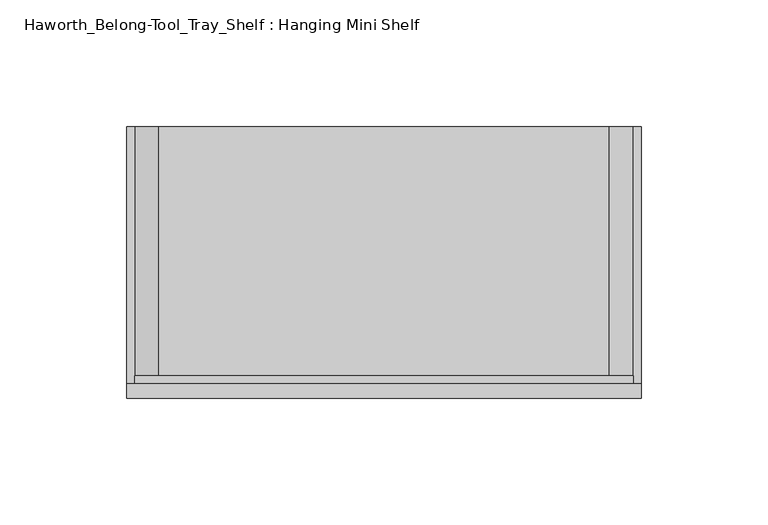
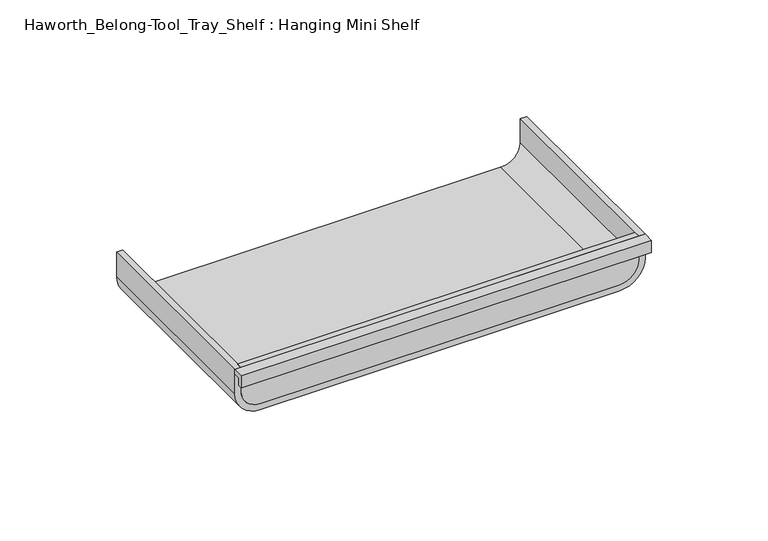
"""IFC4 building model written with IfcOpenShell, lengths in millimetres: furniture geometry, Haworth_Belong-Tool_Tray_Shelf : Hanging Mini Shelf."""

from ifc_helpers import new_model, si_unit, point, frame, frame_2d, origin, place, context, project, spatial, polyline, circle_curve, trimmed, segment, composite_curve, outline, extrude, source, transform, mapped, element, save


def haworth_belong_tool_tray_shelf_hanging_mini_shelf_a4f2ccf3(model_context):
    return source(origin(), model_context, "Body", "SweptSolid", [
        extrude(outline(polyline([(-3.175, 23.01875), (-3.175, 19.05), (-5.55625, 19.05), (-5.55625, 25.4), (0.0, 25.4), (0.0, 23.01875), (-3.175, 23.01875)])), frame((63.5, 0.0, 0.0), z_axis=(1.0, 0.0, 0.0), x_axis=(0.0, 1.0, 0.0)), (0.0, 0.0, 1.0), 203.2),
        extrude(outline(composite_curve([segment(polyline([(25.4, 263.525), (25.4, 66.675), (12.7, 66.675)]), True, "CONTINUOUS"), segment(trimmed(circle_curve(frame_2d((12.7, 76.2)), 9.525), [point((12.7, 66.675))], [point((3.175, 76.2))], False, "CARTESIAN"), True, "CONTINUOUS"), segment(polyline([(3.175, 76.2), (3.175, 254.0)]), True, "CONTINUOUS"), segment(trimmed(circle_curve(frame_2d((12.7, 254.0)), 9.525), [point((3.175, 254.0))], [point((12.7, 263.525))], False, "CARTESIAN"), True, "CONTINUOUS"), segment(polyline([(12.7, 263.525), (25.4, 263.525)]), True, "CONTINUOUS")], self_intersect=False)), frame((0.0, 0.0, 0.0), z_axis=(0.0, 1.0, 0.0), x_axis=(0.0, 0.0, 1.0)), (0.0, 0.0, 1.0), 3.175),
        extrude(outline(composite_curve([segment(polyline([(25.4, 63.5), (12.7, 63.5)]), True, "CONTINUOUS"), segment(trimmed(circle_curve(frame_2d((12.7, 76.2)), 12.7), [point((12.7, 63.5))], [point((0.0, 76.2))], False, "CARTESIAN"), True, "CONTINUOUS"), segment(polyline([(0.0, 76.2), (0.0, 254.0)]), True, "CONTINUOUS"), segment(trimmed(circle_curve(frame_2d((12.7, 254.0)), 12.7), [point((0.0, 254.0))], [point((12.7, 266.7))], False, "CARTESIAN"), True, "CONTINUOUS"), segment(polyline([(12.7, 266.7), (25.4, 266.7), (25.4, 263.525), (12.7, 263.525)]), True, "CONTINUOUS"), segment(trimmed(circle_curve(frame_2d((12.7, 254.0)), 9.525), [point((12.7, 263.525))], [point((3.175, 254.0))], True, "CARTESIAN"), True, "CONTINUOUS"), segment(polyline([(3.175, 254.0), (3.175, 76.2)]), True, "CONTINUOUS"), segment(trimmed(circle_curve(frame_2d((12.7, 76.2)), 9.525), [point((3.175, 76.2))], [point((12.7, 66.675))], True, "CARTESIAN"), True, "CONTINUOUS"), segment(polyline([(12.7, 66.675), (25.4, 66.675), (25.4, 63.5)]), True, "CONTINUOUS")], self_intersect=False)), frame((0.0, 0.0, 0.0), z_axis=(0.0, 1.0, 0.0), x_axis=(0.0, 0.0, 1.0)), (0.0, 0.0, 1.0), 101.6),
    ])


if __name__ == "__main__":
    model = new_model("IFC4")
    model_context = context("Model", 3, world=origin())
    ifc_project = project(units=[si_unit("LENGTHUNIT", "METRE", prefix="MILLI")], contexts=[model_context])
    site = spatial("IfcSite", under=ifc_project)
    building = spatial("IfcBuilding", under=site)
    placement = place(None, origin())
    haworth_belong_tool_tray_shelf_hanging_mini_shelf_shape = haworth_belong_tool_tray_shelf_hanging_mini_shelf_a4f2ccf3(model_context)
    element("IfcFurniture", 1, ObjectType="Haworth_Belong-Tool_Tray_Shelf : Hanging Mini Shelf", at=placement, inside=building, context=model_context, shape_type="MappedRepresentation", body=[
        mapped(haworth_belong_tool_tray_shelf_hanging_mini_shelf_shape, transform((0.0, 0.0, 0.0), x_axis=(1.0, 0.0, 0.0), y_axis=(0.0, 1.0, 0.0), z_axis=(0.0, 0.0, 1.0))),
    ])
    save(model, "model.ifc")
